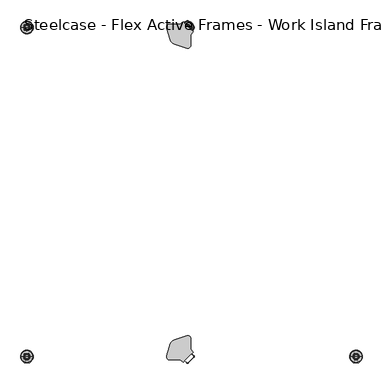
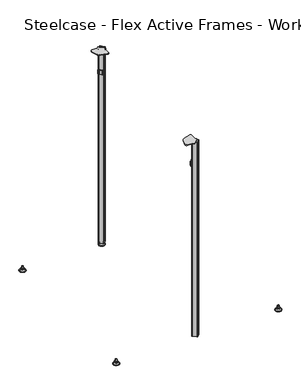
"""IFC4 building model written with IfcOpenShell, lengths in millimetres: furniture geometry, Steelcase - Flex Active Frames - Work Island Frame : 1 Wide - 2 Deep 2."""

from ifc_helpers import new_model, si_unit, point, frame, frame_2d, origin, place, context, project, spatial, polyline, circle_curve, ellipse_curve, trimmed, segment, composite_curve, outline, extrude, source, transform, mapped, element, save
from ifc_brep_helpers import plane_surface, cylinder_surface, revolved_surface, advanced_brep


def steelcase_flex_active_frames_work_island_frame_1_wide_2_deep_242b1a13(model_context):
    return source(origin(), model_context, "Body", "SolidModel", [
        advanced_brep(
        [(795.4995166, -795.4046323, 0.0), (809.4482375, -795.4046323, 0.0), (781.5507958, -795.4046323, 0.0), (810.3951451, -795.4046323, 2.116325), (780.6038882, -795.4046323, 2.116325), (804.2429012, -795.4046323, 8.9997406), (786.7561321, -795.4046323, 8.9997406), (802.9003852, -795.4046323, 8.9997406), (788.0986481, -795.4046323, 8.9997406), (802.9003852, -795.4046323, 12.0919909), (788.0986481, -795.4046323, 12.0919909), (802.3923852, -795.4046323, 12.5999909), (788.6066481, -795.4046323, 12.5999909), (799.518847, -795.4046323, 12.5999909), (791.4801863, -795.4046323, 12.5999909), (799.518847, -795.4046323, 22.7146261), (791.4801863, -795.4046323, 22.7146261), (795.4995166, -795.4046323, 22.7146261)],
        [
            (0, 1),
            (1, 2, circle_curve(frame((795.4995166, -795.4046323, 0.0), z_axis=(0.0, 0.0, -1.0), x_axis=(1.0, 0.0, 0.0)), 13.9487209)),
            (2, 0),
            (2, 1, circle_curve(frame((795.4995166, -795.4046323, 0.0), z_axis=(0.0, 0.0, -1.0), x_axis=(1.0, 0.0, 0.0)), 13.9487209)),
            (1, 3, circle_curve(frame((809.4482375, -795.4046323, 1.27), z_axis=(0.0, -1.0, 0.0), x_axis=(1.0, 0.0, 0.0)), 1.27)),
            (3, 4, circle_curve(frame((795.4995166, -795.4046323, 2.116325), z_axis=(0.0, 0.0, -1.0), x_axis=(1.0, 0.0, 0.0)), 14.8956285)),
            (4, 2, circle_curve(frame((781.5507958, -795.4046323, 1.27), z_axis=(0.0, -1.0, 0.0), x_axis=(-1.0, 0.0, 0.0)), 1.27)),
            (4, 3, circle_curve(frame((795.4995166, -795.4046323, 2.116325), z_axis=(0.0, 0.0, -1.0), x_axis=(1.0, 0.0, 0.0)), 14.8956285)),
            (3, 5),
            (5, 6, circle_curve(frame((795.4995166, -795.4046323, 8.9997406), z_axis=(0.0, 0.0, -1.0), x_axis=(1.0, 0.0, 0.0)), 8.7433846)),
            (6, 4),
            (6, 5, circle_curve(frame((795.4995166, -795.4046323, 8.9997406), z_axis=(0.0, 0.0, -1.0), x_axis=(1.0, 0.0, 0.0)), 8.7433846)),
            (5, 7),
            (7, 8, circle_curve(frame((795.4995166, -795.4046323, 8.9997406), z_axis=(0.0, 0.0, -1.0), x_axis=(1.0, 0.0, 0.0)), 7.4008685)),
            (8, 6),
            (8, 7, circle_curve(frame((795.4995166, -795.4046323, 8.9997406), z_axis=(0.0, 0.0, -1.0), x_axis=(1.0, 0.0, 0.0)), 7.4008685)),
            (7, 9),
            (9, 10, circle_curve(frame((795.4995166, -795.4046323, 12.0919909), z_axis=(0.0, 0.0, -1.0), x_axis=(1.0, 0.0, 0.0)), 7.4008685)),
            (10, 8),
            (10, 9, circle_curve(frame((795.4995166, -795.4046323, 12.0919909), z_axis=(0.0, 0.0, -1.0), x_axis=(1.0, 0.0, 0.0)), 7.4008685)),
            (9, 11, circle_curve(frame((802.3923852, -795.4046323, 12.0919909), z_axis=(0.0, -1.0, 0.0), x_axis=(1.0, 0.0, 0.0)), 0.508)),
            (11, 12, circle_curve(frame((795.4995166, -795.4046323, 12.5999909), z_axis=(0.0, 0.0, -1.0), x_axis=(1.0, 0.0, 0.0)), 6.8928685)),
            (12, 10, circle_curve(frame((788.6066481, -795.4046323, 12.0919909), z_axis=(0.0, -1.0, 0.0), x_axis=(-1.0, 0.0, 0.0)), 0.508)),
            (12, 11, circle_curve(frame((795.4995166, -795.4046323, 12.5999909), z_axis=(0.0, 0.0, -1.0), x_axis=(1.0, 0.0, 0.0)), 6.8928685)),
            (11, 13),
            (13, 14, circle_curve(frame((795.4995166, -795.4046323, 12.5999909), z_axis=(0.0, 0.0, -1.0), x_axis=(1.0, 0.0, 0.0)), 4.0193303)),
            (14, 12),
            (14, 13, circle_curve(frame((795.4995166, -795.4046323, 12.5999909), z_axis=(0.0, 0.0, -1.0), x_axis=(1.0, 0.0, 0.0)), 4.0193303)),
            (13, 15),
            (15, 16, circle_curve(frame((795.4995166, -795.4046323, 22.7146261), z_axis=(0.0, 0.0, -1.0), x_axis=(1.0, 0.0, 0.0)), 4.0193303)),
            (16, 14),
            (16, 15, circle_curve(frame((795.4995166, -795.4046323, 22.7146261), z_axis=(0.0, 0.0, -1.0), x_axis=(1.0, 0.0, 0.0)), 4.0193303)),
            (15, 17),
            (17, 16),
        ],
        [
            plane_surface(frame((795.4995166, -795.4046323, 0.0), z_axis=(0.0, 0.0, -1.0), x_axis=(1.0, 0.0, 0.0))),
            revolved_surface(trimmed(ellipse_curve(frame((809.4482375, -795.4046323, 1.27), z_axis=(0.0, 1.0, 0.0), x_axis=(1.0, 0.0, 0.0)), 1.27, 1.27), [point((810.3951451, -795.4046323, 2.116325))], [point((809.4482375, -795.4046323, 0.0))], True, "CARTESIAN"), (795.4995166, -795.4046323, 32.0514718), (0.0, 0.0, -1.0)),
            revolved_surface(polyline([(804.2429012, -795.4046323, 8.9997406), (810.3951451, -795.4046323, 2.116325)]), (795.4995166, -795.4046323, 32.0514718), (0.0, 0.0, -1.0)),
            plane_surface(frame((795.4995166, -795.4046323, 8.9997406), z_axis=(0.0, 0.0, 1.0), x_axis=(1.0, 0.0, 0.0))),
            cylinder_surface(frame((795.4995166, -795.4046323, 32.0514718), z_axis=(0.0, 0.0, -1.0), x_axis=(1.0, 0.0, 0.0)), 7.4008685),
            revolved_surface(trimmed(ellipse_curve(frame((802.3923852, -795.4046323, 12.0919909), z_axis=(0.0, 1.0, 0.0), x_axis=(1.0, 0.0, 0.0)), 0.508, 0.508), [point((802.3923852, -795.4046323, 12.5999909))], [point((802.9003852, -795.4046323, 12.0919909))], True, "CARTESIAN"), (795.4995166, -795.4046323, 32.0514718), (0.0, 0.0, -1.0)),
            plane_surface(frame((795.4995166, -795.4046323, 12.5999909), z_axis=(0.0, 0.0, 1.0), x_axis=(1.0, 0.0, 0.0))),
            cylinder_surface(frame((795.4995166, -795.4046323, 32.0514718), z_axis=(0.0, 0.0, -1.0), x_axis=(1.0, 0.0, 0.0)), 4.0193303),
            plane_surface(frame((795.4995166, -795.4046323, 22.7146261), z_axis=(0.0, 0.0, 1.0), x_axis=(1.0, 0.0, 0.0))),
        ],
        [
            (0, [[1, 2, 3]]),
            (0, [[-3, 4, -1]]),
            (1, [[-2, 5, 6, 7]]),
            (1, [[-4, -7, 8, -5]]),
            (2, [[-6, 9, 10, 11]]),
            (2, [[-8, -11, 12, -9]]),
            (3, [[-10, 13, 14, 15]]),
            (3, [[-12, -15, 16, -13]]),
            (4, [[-14, 17, 18, 19]]),
            (4, [[-16, -19, 20, -17]]),
            (5, [[-18, 21, 22, 23]]),
            (5, [[-20, -23, 24, -21]]),
            (6, [[-22, 25, 26, 27]]),
            (6, [[-24, -27, 28, -25]]),
            (7, [[-26, 29, 30, 31]]),
            (7, [[-28, -31, 32, -29]]),
            (8, [[-30, 33, 34]]),
            (8, [[-32, -34, -33]]),
        ],
    ),
        advanced_brep(
        [(386.5595166, 2.9246323, 0.0), (372.6107958, 2.9246323, 0.0), (400.5082375, 2.9246323, 0.0), (371.6638882, 2.9246323, 2.116325), (401.4551451, 2.9246323, 2.116325), (377.8161321, 2.9246323, 8.9997406), (395.3029012, 2.9246323, 8.9997406), (379.1586481, 2.9246323, 8.9997406), (393.9603852, 2.9246323, 8.9997406), (379.1586481, 2.9246323, 12.0919909), (393.9603852, 2.9246323, 12.0919909), (379.6666481, 2.9246323, 12.5999909), (393.4523852, 2.9246323, 12.5999909), (382.5401863, 2.9246323, 12.5999909), (390.578847, 2.9246323, 12.5999909), (382.5401863, 2.9246323, 22.7146261), (390.578847, 2.9246323, 22.7146261), (386.5595166, 2.9246323, 22.7146261)],
        [
            (0, 1),
            (1, 2, circle_curve(frame((386.5595166, 2.9246323, 0.0), z_axis=(0.0, 0.0, -1.0), x_axis=(1.0, 0.0, 0.0)), 13.9487209)),
            (2, 0),
            (2, 1, circle_curve(frame((386.5595166, 2.9246323, 0.0), z_axis=(0.0, 0.0, -1.0), x_axis=(1.0, 0.0, 0.0)), 13.9487209)),
            (1, 3, circle_curve(frame((372.6107958, 2.9246323, 1.27), z_axis=(0.0, 1.0, 0.0), x_axis=(-1.0, 0.0, 0.0)), 1.27)),
            (3, 4, circle_curve(frame((386.5595166, 2.9246323, 2.116325), z_axis=(0.0, 0.0, -1.0), x_axis=(1.0, 0.0, 0.0)), 14.8956285)),
            (4, 2, circle_curve(frame((400.5082375, 2.9246323, 1.27), z_axis=(0.0, 1.0, 0.0), x_axis=(1.0, 0.0, 0.0)), 1.27)),
            (4, 3, circle_curve(frame((386.5595166, 2.9246323, 2.116325), z_axis=(0.0, 0.0, -1.0), x_axis=(1.0, 0.0, 0.0)), 14.8956285)),
            (3, 5),
            (5, 6, circle_curve(frame((386.5595166, 2.9246323, 8.9997406), z_axis=(0.0, 0.0, -1.0), x_axis=(1.0, 0.0, 0.0)), 8.7433846)),
            (6, 4),
            (6, 5, circle_curve(frame((386.5595166, 2.9246323, 8.9997406), z_axis=(0.0, 0.0, -1.0), x_axis=(1.0, 0.0, 0.0)), 8.7433846)),
            (5, 7),
            (7, 8, circle_curve(frame((386.5595166, 2.9246323, 8.9997406), z_axis=(0.0, 0.0, -1.0), x_axis=(1.0, 0.0, 0.0)), 7.4008685)),
            (8, 6),
            (8, 7, circle_curve(frame((386.5595166, 2.9246323, 8.9997406), z_axis=(0.0, 0.0, -1.0), x_axis=(1.0, 0.0, 0.0)), 7.4008685)),
            (7, 9),
            (9, 10, circle_curve(frame((386.5595166, 2.9246323, 12.0919909), z_axis=(0.0, 0.0, -1.0), x_axis=(1.0, 0.0, 0.0)), 7.4008685)),
            (10, 8),
            (10, 9, circle_curve(frame((386.5595166, 2.9246323, 12.0919909), z_axis=(0.0, 0.0, -1.0), x_axis=(1.0, 0.0, 0.0)), 7.4008685)),
            (9, 11, circle_curve(frame((379.6666481, 2.9246323, 12.0919909), z_axis=(0.0, 1.0, 0.0), x_axis=(-1.0, 0.0, 0.0)), 0.508)),
            (11, 12, circle_curve(frame((386.5595166, 2.9246323, 12.5999909), z_axis=(0.0, 0.0, -1.0), x_axis=(1.0, 0.0, 0.0)), 6.8928685)),
            (12, 10, circle_curve(frame((393.4523852, 2.9246323, 12.0919909), z_axis=(0.0, 1.0, 0.0), x_axis=(1.0, 0.0, 0.0)), 0.508)),
            (12, 11, circle_curve(frame((386.5595166, 2.9246323, 12.5999909), z_axis=(0.0, 0.0, -1.0), x_axis=(1.0, 0.0, 0.0)), 6.8928685)),
            (11, 13),
            (13, 14, circle_curve(frame((386.5595166, 2.9246323, 12.5999909), z_axis=(0.0, 0.0, -1.0), x_axis=(1.0, 0.0, 0.0)), 4.0193303)),
            (14, 12),
            (14, 13, circle_curve(frame((386.5595166, 2.9246323, 12.5999909), z_axis=(0.0, 0.0, -1.0), x_axis=(1.0, 0.0, 0.0)), 4.0193303)),
            (13, 15),
            (15, 16, circle_curve(frame((386.5595166, 2.9246323, 22.7146261), z_axis=(0.0, 0.0, -1.0), x_axis=(1.0, 0.0, 0.0)), 4.0193303)),
            (16, 14),
            (16, 15, circle_curve(frame((386.5595166, 2.9246323, 22.7146261), z_axis=(0.0, 0.0, -1.0), x_axis=(1.0, 0.0, 0.0)), 4.0193303)),
            (15, 17),
            (17, 16),
        ],
        [
            plane_surface(frame((386.5595166, 2.9246323, 0.0), z_axis=(0.0, 0.0, -1.0), x_axis=(1.0, 0.0, 0.0))),
            revolved_surface(trimmed(ellipse_curve(frame((400.5082375, 2.9246323, 1.27), z_axis=(0.0, 1.0, 0.0), x_axis=(1.0, 0.0, 0.0)), 1.27, 1.27), [point((401.4551451, 2.9246323, 2.116325))], [point((400.5082375, 2.9246323, 0.0))], True, "CARTESIAN"), (386.5595166, 2.9246323, 32.0514718), (0.0, 0.0, -1.0)),
            revolved_surface(polyline([(395.3029012, 2.9246323, 8.9997406), (401.4551451, 2.9246323, 2.116325)]), (386.5595166, 2.9246323, 32.0514718), (0.0, 0.0, -1.0)),
            plane_surface(frame((386.5595166, 2.9246323, 8.9997406), z_axis=(0.0, 0.0, 1.0), x_axis=(1.0, 0.0, 0.0))),
            cylinder_surface(frame((386.5595166, 2.9246323, 32.0514718), z_axis=(0.0, 0.0, -1.0), x_axis=(1.0, 0.0, 0.0)), 7.4008685),
            revolved_surface(trimmed(ellipse_curve(frame((393.4523852, 2.9246323, 12.0919909), z_axis=(0.0, 1.0, 0.0), x_axis=(1.0, 0.0, 0.0)), 0.508, 0.508), [point((393.4523852, 2.9246323, 12.5999909))], [point((393.9603852, 2.9246323, 12.0919909))], True, "CARTESIAN"), (386.5595166, 2.9246323, 32.0514718), (0.0, 0.0, -1.0)),
            plane_surface(frame((386.5595166, 2.9246323, 12.5999909), z_axis=(0.0, 0.0, 1.0), x_axis=(1.0, 0.0, 0.0))),
            cylinder_surface(frame((386.5595166, 2.9246323, 32.0514718), z_axis=(0.0, 0.0, -1.0), x_axis=(1.0, 0.0, 0.0)), 4.0193303),
            plane_surface(frame((386.5595166, 2.9246323, 22.7146261), z_axis=(0.0, 0.0, 1.0), x_axis=(1.0, 0.0, 0.0))),
        ],
        [
            (0, [[1, 2, 3]]),
            (0, [[-3, 4, -1]]),
            (1, [[5, 6, 7, -2]]),
            (1, [[-7, 8, -5, -4]]),
            (2, [[9, 10, 11, -6]]),
            (2, [[-11, 12, -9, -8]]),
            (3, [[13, 14, 15, -10]]),
            (3, [[-15, 16, -13, -12]]),
            (4, [[17, 18, 19, -14]]),
            (4, [[-19, 20, -17, -16]]),
            (5, [[21, 22, 23, -18]]),
            (5, [[-23, 24, -21, -20]]),
            (6, [[25, 26, 27, -22]]),
            (6, [[-27, 28, -25, -24]]),
            (7, [[29, 30, 31, -26]]),
            (7, [[-31, 32, -29, -28]]),
            (8, [[33, 34, -30]]),
            (8, [[-34, -33, -32]]),
        ],
    ),
        advanced_brep(
        [(-3.0195166, -795.4046323, 0.0), (10.9292042, -795.4046323, 0.0), (-16.9682375, -795.4046323, 0.0), (11.8761118, -795.4046323, 2.116325), (-17.9151451, -795.4046323, 2.116325), (5.7238679, -795.4046323, 8.9997406), (-11.7629012, -795.4046323, 8.9997406), (4.3813519, -795.4046323, 8.9997406), (-10.4203852, -795.4046323, 8.9997406), (4.3813519, -795.4046323, 12.0919909), (-10.4203852, -795.4046323, 12.0919909), (3.8733519, -795.4046323, 12.5999909), (-9.9123852, -795.4046323, 12.5999909), (0.9998137, -795.4046323, 12.5999909), (-7.038847, -795.4046323, 12.5999909), (0.9998137, -795.4046323, 22.7146261), (-7.038847, -795.4046323, 22.7146261), (-3.0195166, -795.4046323, 22.7146261)],
        [
            (0, 1),
            (1, 2, circle_curve(frame((-3.0195166, -795.4046323, 0.0), z_axis=(0.0, 0.0, -1.0), x_axis=(-1.0, 0.0, 0.0)), 13.9487209)),
            (2, 0),
            (2, 1, circle_curve(frame((-3.0195166, -795.4046323, 0.0), z_axis=(0.0, 0.0, -1.0), x_axis=(-1.0, 0.0, 0.0)), 13.9487209)),
            (1, 3, circle_curve(frame((10.9292042, -795.4046323, 1.27), z_axis=(0.0, -1.0, 0.0), x_axis=(1.0, 0.0, 0.0)), 1.27)),
            (3, 4, circle_curve(frame((-3.0195166, -795.4046323, 2.116325), z_axis=(0.0, 0.0, -1.0), x_axis=(-1.0, 0.0, 0.0)), 14.8956285)),
            (4, 2, circle_curve(frame((-16.9682375, -795.4046323, 1.27), z_axis=(0.0, -1.0, 0.0), x_axis=(-1.0, 0.0, 0.0)), 1.27)),
            (4, 3, circle_curve(frame((-3.0195166, -795.4046323, 2.116325), z_axis=(0.0, 0.0, -1.0), x_axis=(-1.0, 0.0, 0.0)), 14.8956285)),
            (3, 5),
            (5, 6, circle_curve(frame((-3.0195166, -795.4046323, 8.9997406), z_axis=(0.0, 0.0, -1.0), x_axis=(-1.0, 0.0, 0.0)), 8.7433846)),
            (6, 4),
            (6, 5, circle_curve(frame((-3.0195166, -795.4046323, 8.9997406), z_axis=(0.0, 0.0, -1.0), x_axis=(-1.0, 0.0, 0.0)), 8.7433846)),
            (5, 7),
            (7, 8, circle_curve(frame((-3.0195166, -795.4046323, 8.9997406), z_axis=(0.0, 0.0, -1.0), x_axis=(-1.0, 0.0, 0.0)), 7.4008685)),
            (8, 6),
            (8, 7, circle_curve(frame((-3.0195166, -795.4046323, 8.9997406), z_axis=(0.0, 0.0, -1.0), x_axis=(-1.0, 0.0, 0.0)), 7.4008685)),
            (7, 9),
            (9, 10, circle_curve(frame((-3.0195166, -795.4046323, 12.0919909), z_axis=(0.0, 0.0, -1.0), x_axis=(-1.0, 0.0, 0.0)), 7.4008685)),
            (10, 8),
            (10, 9, circle_curve(frame((-3.0195166, -795.4046323, 12.0919909), z_axis=(0.0, 0.0, -1.0), x_axis=(-1.0, 0.0, 0.0)), 7.4008685)),
            (9, 11, circle_curve(frame((3.8733519, -795.4046323, 12.0919909), z_axis=(0.0, -1.0, 0.0), x_axis=(1.0, 0.0, 0.0)), 0.508)),
            (11, 12, circle_curve(frame((-3.0195166, -795.4046323, 12.5999909), z_axis=(0.0, 0.0, -1.0), x_axis=(-1.0, 0.0, 0.0)), 6.8928685)),
            (12, 10, circle_curve(frame((-9.9123852, -795.4046323, 12.0919909), z_axis=(0.0, -1.0, 0.0), x_axis=(-1.0, 0.0, 0.0)), 0.508)),
            (12, 11, circle_curve(frame((-3.0195166, -795.4046323, 12.5999909), z_axis=(0.0, 0.0, -1.0), x_axis=(-1.0, 0.0, 0.0)), 6.8928685)),
            (11, 13),
            (13, 14, circle_curve(frame((-3.0195166, -795.4046323, 12.5999909), z_axis=(0.0, 0.0, -1.0), x_axis=(-1.0, 0.0, 0.0)), 4.0193303)),
            (14, 12),
            (14, 13, circle_curve(frame((-3.0195166, -795.4046323, 12.5999909), z_axis=(0.0, 0.0, -1.0), x_axis=(-1.0, 0.0, 0.0)), 4.0193303)),
            (13, 15),
            (15, 16, circle_curve(frame((-3.0195166, -795.4046323, 22.7146261), z_axis=(0.0, 0.0, -1.0), x_axis=(-1.0, 0.0, 0.0)), 4.0193303)),
            (16, 14),
            (16, 15, circle_curve(frame((-3.0195166, -795.4046323, 22.7146261), z_axis=(0.0, 0.0, -1.0), x_axis=(-1.0, 0.0, 0.0)), 4.0193303)),
            (15, 17),
            (17, 16),
        ],
        [
            plane_surface(frame((-3.0195166, -795.4046323, 0.0), z_axis=(0.0, 0.0, -1.0), x_axis=(-1.0, 0.0, 0.0))),
            revolved_surface(trimmed(ellipse_curve(frame((-16.9682375, -795.4046323, 1.27), z_axis=(0.0, -1.0, 0.0), x_axis=(-1.0, 0.0, 0.0)), 1.27, 1.27), [point((-17.9151451, -795.4046323, 2.116325))], [point((-16.9682375, -795.4046323, 0.0))], True, "CARTESIAN"), (-3.0195166, -795.4046323, 32.0514718), (0.0, 0.0, -1.0)),
            revolved_surface(polyline([(-11.7629012, -795.4046323, 8.9997406), (-17.9151451, -795.4046323, 2.116325)]), (-3.0195166, -795.4046323, 32.0514718), (0.0, 0.0, -1.0)),
            plane_surface(frame((-3.0195166, -795.4046323, 8.9997406), z_axis=(0.0, 0.0, 1.0), x_axis=(-1.0, 0.0, 0.0))),
            cylinder_surface(frame((-3.0195166, -795.4046323, 32.0514718), z_axis=(0.0, 0.0, -1.0), x_axis=(-1.0, 0.0, 0.0)), 7.4008685),
            revolved_surface(trimmed(ellipse_curve(frame((-9.9123852, -795.4046323, 12.0919909), z_axis=(0.0, -1.0, 0.0), x_axis=(-1.0, 0.0, 0.0)), 0.508, 0.508), [point((-9.9123852, -795.4046323, 12.5999909))], [point((-10.4203852, -795.4046323, 12.0919909))], True, "CARTESIAN"), (-3.0195166, -795.4046323, 32.0514718), (0.0, 0.0, -1.0)),
            plane_surface(frame((-3.0195166, -795.4046323, 12.5999909), z_axis=(0.0, 0.0, 1.0), x_axis=(-1.0, 0.0, 0.0))),
            cylinder_surface(frame((-3.0195166, -795.4046323, 32.0514718), z_axis=(0.0, 0.0, -1.0), x_axis=(-1.0, 0.0, 0.0)), 4.0193303),
            plane_surface(frame((-3.0195166, -795.4046323, 22.7146261), z_axis=(0.0, 0.0, 1.0), x_axis=(-1.0, 0.0, 0.0))),
        ],
        [
            (0, [[1, 2, 3]]),
            (0, [[-3, 4, -1]]),
            (1, [[5, 6, 7, -2]]),
            (1, [[-7, 8, -5, -4]]),
            (2, [[9, 10, 11, -6]]),
            (2, [[-11, 12, -9, -8]]),
            (3, [[13, 14, 15, -10]]),
            (3, [[-15, 16, -13, -12]]),
            (4, [[17, 18, 19, -14]]),
            (4, [[-19, 20, -17, -16]]),
            (5, [[21, 22, 23, -18]]),
            (5, [[-23, 24, -21, -20]]),
            (6, [[25, 26, 27, -22]]),
            (6, [[-27, 28, -25, -24]]),
            (7, [[29, 30, 31, -26]]),
            (7, [[-31, 32, -29, -28]]),
            (8, [[33, 34, -30]]),
            (8, [[-34, -33, -32]]),
        ],
    ),
        advanced_brep(
        [(-3.0195166, 2.9246323, 0.0), (-16.9682375, 2.9246323, 0.0), (10.9292042, 2.9246323, 0.0), (-17.9151451, 2.9246323, 2.116325), (11.8761118, 2.9246323, 2.116325), (-11.7629012, 2.9246323, 8.9997406), (5.7238679, 2.9246323, 8.9997406), (-10.4203852, 2.9246323, 8.9997406), (4.3813519, 2.9246323, 8.9997406), (-10.4203852, 2.9246323, 12.0919909), (4.3813519, 2.9246323, 12.0919909), (-9.9123852, 2.9246323, 12.5999909), (3.8733519, 2.9246323, 12.5999909), (-7.038847, 2.9246323, 12.5999909), (0.9998137, 2.9246323, 12.5999909), (-7.038847, 2.9246323, 22.7146261), (0.9998137, 2.9246323, 22.7146261), (-3.0195166, 2.9246323, 22.7146261)],
        [
            (0, 1),
            (1, 2, circle_curve(frame((-3.0195166, 2.9246323, 0.0), z_axis=(0.0, 0.0, -1.0), x_axis=(-1.0, 0.0, 0.0)), 13.9487209)),
            (2, 0),
            (2, 1, circle_curve(frame((-3.0195166, 2.9246323, 0.0), z_axis=(0.0, 0.0, -1.0), x_axis=(-1.0, 0.0, 0.0)), 13.9487209)),
            (1, 3, circle_curve(frame((-16.9682375, 2.9246323, 1.27), z_axis=(0.0, 1.0, 0.0), x_axis=(-1.0, 0.0, 0.0)), 1.27)),
            (3, 4, circle_curve(frame((-3.0195166, 2.9246323, 2.116325), z_axis=(0.0, 0.0, -1.0), x_axis=(-1.0, 0.0, 0.0)), 14.8956285)),
            (4, 2, circle_curve(frame((10.9292042, 2.9246323, 1.27), z_axis=(0.0, 1.0, 0.0), x_axis=(1.0, 0.0, 0.0)), 1.27)),
            (4, 3, circle_curve(frame((-3.0195166, 2.9246323, 2.116325), z_axis=(0.0, 0.0, -1.0), x_axis=(-1.0, 0.0, 0.0)), 14.8956285)),
            (3, 5),
            (5, 6, circle_curve(frame((-3.0195166, 2.9246323, 8.9997406), z_axis=(0.0, 0.0, -1.0), x_axis=(-1.0, 0.0, 0.0)), 8.7433846)),
            (6, 4),
            (6, 5, circle_curve(frame((-3.0195166, 2.9246323, 8.9997406), z_axis=(0.0, 0.0, -1.0), x_axis=(-1.0, 0.0, 0.0)), 8.7433846)),
            (5, 7),
            (7, 8, circle_curve(frame((-3.0195166, 2.9246323, 8.9997406), z_axis=(0.0, 0.0, -1.0), x_axis=(-1.0, 0.0, 0.0)), 7.4008685)),
            (8, 6),
            (8, 7, circle_curve(frame((-3.0195166, 2.9246323, 8.9997406), z_axis=(0.0, 0.0, -1.0), x_axis=(-1.0, 0.0, 0.0)), 7.4008685)),
            (7, 9),
            (9, 10, circle_curve(frame((-3.0195166, 2.9246323, 12.0919909), z_axis=(0.0, 0.0, -1.0), x_axis=(-1.0, 0.0, 0.0)), 7.4008685)),
            (10, 8),
            (10, 9, circle_curve(frame((-3.0195166, 2.9246323, 12.0919909), z_axis=(0.0, 0.0, -1.0), x_axis=(-1.0, 0.0, 0.0)), 7.4008685)),
            (9, 11, circle_curve(frame((-9.9123852, 2.9246323, 12.0919909), z_axis=(0.0, 1.0, 0.0), x_axis=(-1.0, 0.0, 0.0)), 0.508)),
            (11, 12, circle_curve(frame((-3.0195166, 2.9246323, 12.5999909), z_axis=(0.0, 0.0, -1.0), x_axis=(-1.0, 0.0, 0.0)), 6.8928685)),
            (12, 10, circle_curve(frame((3.8733519, 2.9246323, 12.0919909), z_axis=(0.0, 1.0, 0.0), x_axis=(1.0, 0.0, 0.0)), 0.508)),
            (12, 11, circle_curve(frame((-3.0195166, 2.9246323, 12.5999909), z_axis=(0.0, 0.0, -1.0), x_axis=(-1.0, 0.0, 0.0)), 6.8928685)),
            (11, 13),
            (13, 14, circle_curve(frame((-3.0195166, 2.9246323, 12.5999909), z_axis=(0.0, 0.0, -1.0), x_axis=(-1.0, 0.0, 0.0)), 4.0193303)),
            (14, 12),
            (14, 13, circle_curve(frame((-3.0195166, 2.9246323, 12.5999909), z_axis=(0.0, 0.0, -1.0), x_axis=(-1.0, 0.0, 0.0)), 4.0193303)),
            (13, 15),
            (15, 16, circle_curve(frame((-3.0195166, 2.9246323, 22.7146261), z_axis=(0.0, 0.0, -1.0), x_axis=(-1.0, 0.0, 0.0)), 4.0193303)),
            (16, 14),
            (16, 15, circle_curve(frame((-3.0195166, 2.9246323, 22.7146261), z_axis=(0.0, 0.0, -1.0), x_axis=(-1.0, 0.0, 0.0)), 4.0193303)),
            (15, 17),
            (17, 16),
        ],
        [
            plane_surface(frame((-3.0195166, 2.9246323, 0.0), z_axis=(0.0, 0.0, -1.0), x_axis=(-1.0, 0.0, 0.0))),
            revolved_surface(trimmed(ellipse_curve(frame((-16.9682375, 2.9246323, 1.27), z_axis=(0.0, -1.0, 0.0), x_axis=(-1.0, 0.0, 0.0)), 1.27, 1.27), [point((-17.9151451, 2.9246323, 2.116325))], [point((-16.9682375, 2.9246323, 0.0))], True, "CARTESIAN"), (-3.0195166, 2.9246323, 32.0514718), (0.0, 0.0, -1.0)),
            revolved_surface(polyline([(-11.7629012, 2.9246323, 8.9997406), (-17.9151451, 2.9246323, 2.116325)]), (-3.0195166, 2.9246323, 32.0514718), (0.0, 0.0, -1.0)),
            plane_surface(frame((-3.0195166, 2.9246323, 8.9997406), z_axis=(0.0, 0.0, 1.0), x_axis=(-1.0, 0.0, 0.0))),
            cylinder_surface(frame((-3.0195166, 2.9246323, 32.0514718), z_axis=(0.0, 0.0, -1.0), x_axis=(-1.0, 0.0, 0.0)), 7.4008685),
            revolved_surface(trimmed(ellipse_curve(frame((-9.9123852, 2.9246323, 12.0919909), z_axis=(0.0, -1.0, 0.0), x_axis=(-1.0, 0.0, 0.0)), 0.508, 0.508), [point((-9.9123852, 2.9246323, 12.5999909))], [point((-10.4203852, 2.9246323, 12.0919909))], True, "CARTESIAN"), (-3.0195166, 2.9246323, 32.0514718), (0.0, 0.0, -1.0)),
            plane_surface(frame((-3.0195166, 2.9246323, 12.5999909), z_axis=(0.0, 0.0, 1.0), x_axis=(-1.0, 0.0, 0.0))),
            cylinder_surface(frame((-3.0195166, 2.9246323, 32.0514718), z_axis=(0.0, 0.0, -1.0), x_axis=(-1.0, 0.0, 0.0)), 4.0193303),
            plane_surface(frame((-3.0195166, 2.9246323, 22.7146261), z_axis=(0.0, 0.0, 1.0), x_axis=(-1.0, 0.0, 0.0))),
        ],
        [
            (0, [[1, 2, 3]]),
            (0, [[-3, 4, -1]]),
            (1, [[-2, 5, 6, 7]]),
            (1, [[-4, -7, 8, -5]]),
            (2, [[-6, 9, 10, 11]]),
            (2, [[-8, -11, 12, -9]]),
            (3, [[-10, 13, 14, 15]]),
            (3, [[-12, -15, 16, -13]]),
            (4, [[-14, 17, 18, 19]]),
            (4, [[-16, -19, 20, -17]]),
            (5, [[-18, 21, 22, 23]]),
            (5, [[-20, -23, 24, -21]]),
            (6, [[-22, 25, 26, 27]]),
            (6, [[-24, -27, 28, -25]]),
            (7, [[-26, 29, 30, 31]]),
            (7, [[-28, -31, 32, -29]]),
            (8, [[-30, 33, 34]]),
            (8, [[-32, -34, -33]]),
        ],
    ),
        advanced_brep(
        [(402.0690767, 5.1536029, 1021.9997307), (388.7065297, 18.5163124, 1021.9997307), (384.3959936, 18.5163256, 1021.9997307), (379.4829148, 13.6032467, 1021.9997307), (375.9730949, 17.1137694, 1021.9997307), (368.5650662, 10.9765587, 1021.9997307), (343.5469013, 10.9762884, 1021.9997307), (336.281606, 1.0587489, 1021.9997307), (345.3077907, -27.4842379, 1021.9997307), (356.0697439, -38.2473507, 1021.9997307), (384.6106201, -47.2762508, 1021.9997307), (394.5289425, -40.0111633, 1021.9997307), (394.5290821, -14.9855194, 1021.9997307), (400.6052617, -7.5233295, 1021.9997307), (397.1542669, -4.0716438, 1021.9997307), (402.0690505, 0.8430799, 1021.9997307), (400.1037788, 5.1536214, 1021.9997307), (400.1037683, 0.843088, 1021.9997307), (396.171731, -3.0889111, 1021.9997307), (380.4653866, 12.6205781, 1021.9997307), (384.3957986, 16.5510473, 1021.9997307), (388.7063372, 16.5510629, 1021.9997307), (402.0690767, 5.1536029, 12.5999909), (402.0690505, 0.8430799, 12.5999909), (388.7062856, -12.5195224, 12.5999909), (384.3957649, -12.5194983, 12.5999909), (371.0332856, 0.8431164, 12.5999909), (371.0332965, 5.1536284, 12.5999909), (384.3959936, 18.5163256, 12.5999909), (388.7065297, 18.5163124, 12.5999909), (400.1037788, 5.1536214, 12.5999909), (388.7063372, 16.5510629, 12.5999909), (384.3957986, 16.5510473, 12.5999909), (372.9984486, 5.1535313, 12.5999909), (372.9984643, 0.843024, 12.5999909), (384.3957675, -10.5542792, 12.5999909), (388.70628, -10.5542897, 12.5999909), (400.1037683, 0.843088, 12.5999909), (371.0332965, 5.1536284, 1019.0034988), (379.4829148, 13.6032467, 1019.0034988), (371.0332856, 0.8431164, 1019.0034988), (384.3957649, -12.5194983, 1019.0034988), (388.7062856, -12.5195224, 1019.0034988), (397.1542669, -4.0716438, 1019.0034988), (388.70628, -10.5542897, 1019.0034988), (396.171731, -3.0889111, 1019.0034988), (384.3957675, -10.5542792, 1019.0034988), (372.9984643, 0.843024, 1019.0034988), (372.9984486, 5.1535313, 1019.0034988), (380.4653866, 12.6205781, 1019.0034988), (400.6052617, -7.5233295, 1019.0034988), (394.5290821, -14.9855194, 1019.0034988), (394.5289425, -40.0111633, 1019.0034988), (384.6106201, -47.2762508, 1019.0034988), (356.0697439, -38.2473507, 1019.0034988), (345.3077907, -27.4842379, 1019.0034988), (336.281606, 1.0587489, 1019.0034988), (343.5469013, 10.9762884, 1019.0034988), (368.5650662, 10.9765587, 1019.0034988), (375.9730949, 17.1137694, 1019.0034988)],
        [
            (0, 1),
            (1, 2, circle_curve(frame((386.5512551, 16.3610641, 1021.9997307), z_axis=(0.0, 0.0, 1.0), x_axis=(1.0, 0.0, 0.0)), 3.048)),
            (2, 3),
            (3, 4),
            (4, 5),
            (5, 6),
            (6, 7, circle_curve(frame((343.5469836, 3.3562884, 1021.9997307), z_axis=(0.0, 0.0, 1.0), x_axis=(1.0, 0.0, 0.0)), 7.62)),
            (7, 8),
            (8, 9, circle_curve(frame((361.0494422, -22.5062356, 1021.9997307), z_axis=(0.0, 0.0, 1.0), x_axis=(1.0, 0.0, 0.0)), 16.51)),
            (9, 10),
            (10, 11, circle_curve(frame((386.9089425, -40.0111207, 1021.9997307), z_axis=(0.0, 0.0, 1.0), x_axis=(1.0, 0.0, 0.0)), 7.62)),
            (11, 12),
            (12, 13),
            (13, 14),
            (14, 15),
            (15, 0, circle_curve(frame((399.9138021, 2.9983545, 1021.9997307), z_axis=(0.0, 0.0, 1.0), x_axis=(1.0, 0.0, 0.0)), 3.048)),
            (16, 17, circle_curve(frame((397.9485173, 2.9983599, 1021.9997307), z_axis=(0.0, 0.0, -1.0), x_axis=(1.0, 0.0, 0.0)), 3.048)),
            (17, 18),
            (18, 19),
            (19, 20),
            (20, 21, circle_curve(frame((386.5510758, 14.3958015, 1021.9997307), z_axis=(0.0, 0.0, -1.0), x_axis=(1.0, 0.0, 0.0)), 3.048)),
            (21, 16),
            (22, 23, circle_curve(frame((399.9138021, 2.9983545, 12.5999909), z_axis=(0.0, 0.0, -1.0), x_axis=(1.0, 0.0, 0.0)), 3.048)),
            (23, 24),
            (24, 25, circle_curve(frame((386.5510373, -10.3642478, 12.5999909), z_axis=(0.0, 0.0, -1.0), x_axis=(1.0, 0.0, 0.0)), 3.048)),
            (25, 26),
            (26, 27, circle_curve(frame((373.188558, 2.998367, 12.5999909), z_axis=(0.0, 0.0, -1.0), x_axis=(1.0, 0.0, 0.0)), 3.048)),
            (27, 28),
            (28, 29, circle_curve(frame((386.5512551, 16.3610641, 12.5999909), z_axis=(0.0, 0.0, -1.0), x_axis=(1.0, 0.0, 0.0)), 3.048)),
            (29, 22),
            (30, 31),
            (31, 32, circle_curve(frame((386.5510758, 14.3958015, 12.5999909), z_axis=(0.0, 0.0, 1.0), x_axis=(1.0, 0.0, 0.0)), 3.048)),
            (32, 33),
            (33, 34, circle_curve(frame((375.1537257, 2.9982855, 12.5999909), z_axis=(0.0, 0.0, 1.0), x_axis=(1.0, 0.0, 0.0)), 3.048)),
            (34, 35),
            (35, 36, circle_curve(frame((386.551029, -8.3990177, 12.5999909), z_axis=(0.0, 0.0, 1.0), x_axis=(1.0, 0.0, 0.0)), 3.048)),
            (36, 37),
            (37, 30, circle_curve(frame((397.9485173, 2.9983599, 12.5999909), z_axis=(0.0, 0.0, 1.0), x_axis=(1.0, 0.0, 0.0)), 3.048)),
            (0, 22),
            (29, 1),
            (28, 2),
            (27, 38),
            (38, 39),
            (39, 3),
            (26, 40),
            (40, 38, circle_curve(frame((373.188558, 2.998367, 1019.0034988), z_axis=(0.0, 0.0, -1.0), x_axis=(1.0, 0.0, 0.0)), 3.048)),
            (25, 41),
            (41, 40),
            (24, 42),
            (42, 41, circle_curve(frame((386.5510373, -10.3642478, 1019.0034988), z_axis=(0.0, 0.0, -1.0), x_axis=(1.0, 0.0, 0.0)), 3.048)),
            (23, 15),
            (14, 43),
            (43, 42),
            (16, 30),
            (37, 17),
            (36, 44),
            (44, 45),
            (45, 18),
            (35, 46),
            (46, 44, circle_curve(frame((386.551029, -8.3990177, 1019.0034988), z_axis=(0.0, 0.0, 1.0), x_axis=(1.0, 0.0, 0.0)), 3.048)),
            (34, 47),
            (47, 46),
            (33, 48),
            (48, 47, circle_curve(frame((375.1537257, 2.9982855, 1019.0034988), z_axis=(0.0, 0.0, 1.0), x_axis=(1.0, 0.0, 0.0)), 3.048)),
            (32, 20),
            (19, 49),
            (49, 48),
            (31, 21),
            (50, 51),
            (51, 52),
            (52, 53, circle_curve(frame((386.9089425, -40.0111207, 1019.0034988), z_axis=(0.0, 0.0, -1.0), x_axis=(1.0, 0.0, 0.0)), 7.62)),
            (53, 54),
            (54, 55, circle_curve(frame((361.0494422, -22.5062356, 1019.0034988), z_axis=(0.0, 0.0, -1.0), x_axis=(1.0, 0.0, 0.0)), 16.51)),
            (55, 56),
            (56, 57, circle_curve(frame((343.5469836, 3.3562884, 1019.0034988), z_axis=(0.0, 0.0, -1.0), x_axis=(1.0, 0.0, 0.0)), 7.62)),
            (57, 58),
            (58, 59),
            (59, 39),
            (43, 50),
            (49, 45),
            (4, 59),
            (58, 5),
            (57, 6),
            (56, 7),
            (55, 8),
            (54, 9),
            (53, 10),
            (52, 11),
            (51, 12),
            (50, 13),
        ],
        [
            plane_surface(frame((388.7065297, 18.5163124, 1021.9997307), z_axis=(0.0, 0.0, 1.0), x_axis=(-0.7071024799588432, 0.7071110823880883, 0.0))),
            plane_surface(frame((388.7065297, 18.5163124, 12.5999909), z_axis=(0.0, 0.0, -1.0), x_axis=(0.7071024799588432, -0.7071110823880883, 0.0))),
            plane_surface(frame((402.0690767, 5.1536029, 1021.9997307), z_axis=(0.7071110823880883, 0.7071024799588432, 0.0), x_axis=(0.0, 0.0, -1.0))),
            cylinder_surface(frame((386.5512551, 16.3610641, 12.5999909), z_axis=(0.0, 0.0, 1.0), x_axis=(1.0, 0.0, 0.0)), 3.048),
            plane_surface(frame((384.3959936, 18.5163256, 1021.9997307), z_axis=(-0.7071067811865401, 0.7071067811865549, 0.0), x_axis=(0.0, 0.0, -1.0))),
            cylinder_surface(frame((373.188558, 2.998367, 12.5999909), z_axis=(0.0, 0.0, 1.0), x_axis=(1.0, 0.0, 0.0)), 3.048),
            plane_surface(frame((371.0332856, 0.8431164, 1021.9997307), z_axis=(-0.7071103654975411, -0.707103196857385, 0.0), x_axis=(0.0, 0.0, -1.0))),
            cylinder_surface(frame((386.5510373, -10.3642478, 12.5999909), z_axis=(0.0, 0.0, 1.0), x_axis=(1.0, 0.0, 0.0)), 3.048),
            plane_surface(frame((388.7062856, -12.5195224, 1021.9997307), z_axis=(0.7071024799413701, -0.7071110824055613, 0.0), x_axis=(0.0, 0.0, -1.0))),
            cylinder_surface(frame((399.9138021, 2.9983545, 12.5999909), z_axis=(0.0, 0.0, 1.0), x_axis=(1.0, 0.0, 0.0)), 3.048),
            revolved_surface(polyline([(400.9965173, 2.9983599, 12.5999909), (400.9965173, 2.9983599, 1021.9997307)]), (397.9485173, 2.9983599, 0.0), (0.0, 0.0, -1.0)),
            plane_surface(frame((400.1037683, 0.843088, 1021.9997307), z_axis=(-0.7071033492041388, 0.7071102131522992, 0.0), x_axis=(0.0, 0.0, -1.0))),
            revolved_surface(polyline([(389.59902900000003, -8.3990177, 12.5999909), (389.59902900000003, -8.3990177, 1019.0034988)]), (386.551029, -8.3990177, 0.0), (0.0, 0.0, -1.0)),
            plane_surface(frame((384.3957675, -10.5542792, 1021.9997307), z_axis=(0.7071067811865467, 0.7071067811865483, 0.0), x_axis=(0.0, 0.0, -1.0))),
            revolved_surface(polyline([(378.2017257, 2.9982855, 12.5999909), (378.2017257, 2.9982855, 1019.0034988)]), (375.1537257, 2.9982855, 0.0), (0.0, 0.0, -1.0)),
            plane_surface(frame((372.9984486, 5.1535313, 1021.9997307), z_axis=(0.707111929216385, -0.7071016331192301, 0.0), x_axis=(0.0, 0.0, -1.0))),
            revolved_surface(polyline([(389.5990758, 14.3958015, 12.5999909), (389.5990758, 14.3958015, 1021.9997307)]), (386.5510758, 14.3958015, 0.0), (0.0, 0.0, -1.0)),
            plane_surface(frame((388.7063372, 16.5510629, 1021.9997307), z_axis=(-0.7071067811865451, -0.7071067811865499, 0.0), x_axis=(0.0, 0.0, -1.0))),
            plane_surface(frame((368.5650662, 10.9765587, 1019.0034988), z_axis=(0.0, 0.0, -1.0000000000000002), x_axis=(0.7700660009129411, 0.6379642264562727, 0.0))),
            plane_surface(frame((375.9730949, 17.1137694, 1021.9997307), z_axis=(-0.6379642264562727, 0.7700660009129411, 0.0), x_axis=(0.0, 0.0, -1.0))),
            plane_surface(frame((368.5650662, 10.9765587, 1021.9997307), z_axis=(-1.0801644007307377e-05, 0.9999999999416622, 0.0), x_axis=(0.0, 0.0, -1.0))),
            cylinder_surface(frame((343.5469836, 3.3562884, 1019.0034988), z_axis=(0.0, 0.0, 1.0), x_axis=(1.0, 0.0, 0.0)), 7.62),
            plane_surface(frame((336.281606, 1.0587489, 1021.9997307), z_axis=(-0.9534616310857704, -0.30151437452841673, 0.0), x_axis=(0.0, 0.0, -1.0))),
            cylinder_surface(frame((361.0494422, -22.5062356, 1019.0034988), z_axis=(0.0, 0.0, 1.0), x_axis=(1.0, 0.0, 0.0)), 16.51),
            plane_surface(frame((356.0697439, -38.2473507, 1021.9997307), z_axis=(-0.30161710398598385, -0.9534291387319292, 0.0), x_axis=(0.0, 0.0, -1.0))),
            cylinder_surface(frame((386.9089425, -40.0111207, 1019.0034988), z_axis=(0.0, 0.0, 1.0), x_axis=(1.0, 0.0, 0.0)), 7.62),
            plane_surface(frame((394.5289425, -40.0111633, 1021.9997307), z_axis=(0.9999999999844242, -5.581369365010606e-06, 0.0), x_axis=(0.0, 0.0, -1.0))),
            plane_surface(frame((394.5290821, -14.9855194, 1021.9997307), z_axis=(0.7754447692196412, -0.6314154020056031, 0.0), x_axis=(0.0, 0.0, -1.0))),
            plane_surface(frame((400.6052617, -7.5233295, 1021.9997307), z_axis=(0.7071775627178662, 0.7070359925692739, 0.0), x_axis=(0.0, 0.0, -1.0))),
        ],
        [
            (0, [[1, 2, 3, 4, 5, 6, 7, 8, 9, 10, 11, 12, 13, 14, 15, 16], [17, 18, 19, 20, 21, 22]]),
            (1, [[23, 24, 25, 26, 27, 28, 29, 30], [31, 32, 33, 34, 35, 36, 37, 38]]),
            (2, [[-1, 39, -30, 40]]),
            (3, [[-2, -40, -29, 41]]),
            (4, [[-28, 42, 43, 44, -3, -41]]),
            (5, [[-27, 45, 46, -42]]),
            (6, [[-26, 47, 48, -45]]),
            (7, [[-25, 49, 50, -47]]),
            (8, [[-24, 51, -15, 52, 53, -49]]),
            (9, [[-16, -51, -23, -39]]),
            (10, [[-17, 54, -38, 55]]),
            (11, [[-37, 56, 57, 58, -18, -55]]),
            (12, [[-36, 59, 60, -56]]),
            (13, [[-35, 61, 62, -59]]),
            (14, [[-34, 63, 64, -61]]),
            (15, [[-33, 65, -20, 66, 67, -63]]),
            (16, [[-21, -65, -32, 68]]),
            (17, [[-22, -68, -31, -54]]),
            (18, [[69, 70, 71, 72, 73, 74, 75, 76, 77, 78, -43, -46, -48, -50, -53, 79]]),
            (18, [[80, -57, -60, -62, -64, -67]]),
            (19, [[-5, 81, -77, 82]]),
            (20, [[-6, -82, -76, 83]]),
            (21, [[-7, -83, -75, 84]]),
            (22, [[-8, -84, -74, 85]]),
            (23, [[-9, -85, -73, 86]]),
            (24, [[-10, -86, -72, 87]]),
            (25, [[-11, -87, -71, 88]]),
            (26, [[-12, -88, -70, 89]]),
            (27, [[-13, -89, -69, 90]]),
            (28, [[-19, -58, -80, -66]]),
            (28, [[-81, -4, -44, -78]]),
            (28, [[-90, -79, -52, -14]]),
        ],
    ),
        advanced_brep(
        [(402.0690767, -797.6336029, 1021.9997307), (402.0690505, -793.3230799, 1021.9997307), (397.1542669, -788.4083562, 1021.9997307), (400.6052617, -784.9566705, 1021.9997307), (394.5290821, -777.4944806, 1021.9997307), (394.5289425, -752.4688367, 1021.9997307), (384.6106201, -745.2037492, 1021.9997307), (356.0697439, -754.2326493, 1021.9997307), (345.3077907, -764.9957621, 1021.9997307), (336.281606, -793.5387489, 1021.9997307), (343.5469013, -803.4562884, 1021.9997307), (368.5650662, -803.4565587, 1021.9997307), (375.9730949, -809.5937694, 1021.9997307), (379.4829148, -806.0832467, 1021.9997307), (384.3959936, -810.9963256, 1021.9997307), (388.7065297, -810.9963124, 1021.9997307), (400.1037788, -797.6336214, 1021.9997307), (388.7063372, -809.0310629, 1021.9997307), (384.3957986, -809.0310473, 1021.9997307), (380.4653866, -805.1005781, 1021.9997307), (396.171731, -789.3910889, 1021.9997307), (400.1037683, -793.323088, 1021.9997307), (402.0690767, -797.6336029, 12.5999909), (388.7065297, -810.9963124, 12.5999909), (384.3959936, -810.9963256, 12.5999909), (371.0332965, -797.6336284, 12.5999909), (371.0332856, -793.3231164, 12.5999909), (384.3957649, -779.9605017, 12.5999909), (388.7062856, -779.9604776, 12.5999909), (402.0690505, -793.3230799, 12.5999909), (400.1037788, -797.6336214, 12.5999909), (400.1037683, -793.323088, 12.5999909), (388.70628, -781.9257103, 12.5999909), (384.3957675, -781.9257208, 12.5999909), (372.9984643, -793.323024, 12.5999909), (372.9984486, -797.6335313, 12.5999909), (384.3957986, -809.0310473, 12.5999909), (388.7063372, -809.0310629, 12.5999909), (388.7062856, -779.9604776, 1019.0034988), (397.1542669, -788.4083562, 1019.0034988), (384.3957649, -779.9605017, 1019.0034988), (371.0332856, -793.3231164, 1019.0034988), (371.0332965, -797.6336284, 1019.0034988), (379.4829148, -806.0832467, 1019.0034988), (372.9984486, -797.6335313, 1019.0034988), (380.4653866, -805.1005781, 1019.0034988), (372.9984643, -793.323024, 1019.0034988), (384.3957675, -781.9257208, 1019.0034988), (388.70628, -781.9257103, 1019.0034988), (396.171731, -789.3910889, 1019.0034988), (375.9730949, -809.5937694, 1019.0034988), (368.5650662, -803.4565587, 1019.0034988), (343.5469013, -803.4562884, 1019.0034988), (336.281606, -793.5387489, 1019.0034988), (345.3077907, -764.9957621, 1019.0034988), (356.0697439, -754.2326493, 1019.0034988), (384.6106201, -745.2037492, 1019.0034988), (394.5289425, -752.4688367, 1019.0034988), (394.5290821, -777.4944806, 1019.0034988), (400.6052617, -784.9566705, 1019.0034988)],
        [
            (0, 1, circle_curve(frame((399.9138021, -795.4783545, 1021.9997307), z_axis=(0.0, 0.0, 1.0), x_axis=(1.0, 0.0, 0.0)), 3.048)),
            (1, 2),
            (2, 3),
            (3, 4),
            (4, 5),
            (5, 6, circle_curve(frame((386.9089425, -752.4688793, 1021.9997307), z_axis=(0.0, 0.0, 1.0), x_axis=(1.0, 0.0, 0.0)), 7.62)),
            (6, 7),
            (7, 8, circle_curve(frame((361.0494422, -769.9737644, 1021.9997307), z_axis=(0.0, 0.0, 1.0), x_axis=(1.0, 0.0, 0.0)), 16.51)),
            (8, 9),
            (9, 10, circle_curve(frame((343.5469836, -795.8362884, 1021.9997307), z_axis=(0.0, 0.0, 1.0), x_axis=(1.0, 0.0, 0.0)), 7.62)),
            (10, 11),
            (11, 12),
            (12, 13),
            (13, 14),
            (14, 15, circle_curve(frame((386.5512551, -808.8410641, 1021.9997307), z_axis=(0.0, 0.0, 1.0), x_axis=(1.0, 0.0, 0.0)), 3.048)),
            (15, 0),
            (16, 17),
            (17, 18, circle_curve(frame((386.5510758, -806.8758015, 1021.9997307), z_axis=(0.0, 0.0, -1.0), x_axis=(1.0, 0.0, 0.0)), 3.048)),
            (18, 19),
            (19, 20),
            (20, 21),
            (21, 16, circle_curve(frame((397.9485173, -795.4783599, 1021.9997307), z_axis=(0.0, 0.0, -1.0), x_axis=(1.0, 0.0, 0.0)), 3.048)),
            (22, 23),
            (23, 24, circle_curve(frame((386.5512551, -808.8410641, 12.5999909), z_axis=(0.0, 0.0, -1.0), x_axis=(1.0, 0.0, 0.0)), 3.048)),
            (24, 25),
            (25, 26, circle_curve(frame((373.188558, -795.478367, 12.5999909), z_axis=(0.0, 0.0, -1.0), x_axis=(1.0, 0.0, 0.0)), 3.048)),
            (26, 27),
            (27, 28, circle_curve(frame((386.5510373, -782.1157522, 12.5999909), z_axis=(0.0, 0.0, -1.0), x_axis=(1.0, 0.0, 0.0)), 3.048)),
            (28, 29),
            (29, 22, circle_curve(frame((399.9138021, -795.4783545, 12.5999909), z_axis=(0.0, 0.0, -1.0), x_axis=(1.0, 0.0, 0.0)), 3.048)),
            (30, 31, circle_curve(frame((397.9485173, -795.4783599, 12.5999909), z_axis=(0.0, 0.0, 1.0), x_axis=(1.0, 0.0, 0.0)), 3.048)),
            (31, 32),
            (32, 33, circle_curve(frame((386.551029, -784.0809823, 12.5999909), z_axis=(0.0, 0.0, 1.0), x_axis=(1.0, 0.0, 0.0)), 3.048)),
            (33, 34),
            (34, 35, circle_curve(frame((375.1537257, -795.4782855, 12.5999909), z_axis=(0.0, 0.0, 1.0), x_axis=(1.0, 0.0, 0.0)), 3.048)),
            (35, 36),
            (36, 37, circle_curve(frame((386.5510758, -806.8758015, 12.5999909), z_axis=(0.0, 0.0, 1.0), x_axis=(1.0, 0.0, 0.0)), 3.048)),
            (37, 30),
            (0, 22),
            (29, 1),
            (28, 38),
            (38, 39),
            (39, 2),
            (27, 40),
            (40, 38, circle_curve(frame((386.5510373, -782.1157522, 1019.0034988), z_axis=(0.0, 0.0, -1.0), x_axis=(1.0, 0.0, 0.0)), 3.048)),
            (26, 41),
            (41, 40),
            (25, 42),
            (42, 41, circle_curve(frame((373.188558, -795.478367, 1019.0034988), z_axis=(0.0, 0.0, -1.0), x_axis=(1.0, 0.0, 0.0)), 3.048)),
            (24, 14),
            (13, 43),
            (43, 42),
            (23, 15),
            (16, 30),
            (37, 17),
            (36, 18),
            (35, 44),
            (44, 45),
            (45, 19),
            (34, 46),
            (46, 44, circle_curve(frame((375.1537257, -795.4782855, 1019.0034988), z_axis=(0.0, 0.0, 1.0), x_axis=(1.0, 0.0, 0.0)), 3.048)),
            (33, 47),
            (47, 46),
            (32, 48),
            (48, 47, circle_curve(frame((386.551029, -784.0809823, 1019.0034988), z_axis=(0.0, 0.0, 1.0), x_axis=(1.0, 0.0, 0.0)), 3.048)),
            (31, 21),
            (20, 49),
            (49, 48),
            (50, 51),
            (51, 52),
            (52, 53, circle_curve(frame((343.5469836, -795.8362884, 1019.0034988), z_axis=(0.0, 0.0, -1.0), x_axis=(1.0, 0.0, 0.0)), 7.62)),
            (53, 54),
            (54, 55, circle_curve(frame((361.0494422, -769.9737644, 1019.0034988), z_axis=(0.0, 0.0, -1.0), x_axis=(1.0, 0.0, 0.0)), 16.51)),
            (55, 56),
            (56, 57, circle_curve(frame((386.9089425, -752.4688793, 1019.0034988), z_axis=(0.0, 0.0, -1.0), x_axis=(1.0, 0.0, 0.0)), 7.62)),
            (57, 58),
            (58, 59),
            (59, 39),
            (43, 50),
            (49, 45),
            (12, 50),
            (59, 3),
            (58, 4),
            (57, 5),
            (56, 6),
            (55, 7),
            (54, 8),
            (53, 9),
            (52, 10),
            (51, 11),
        ],
        [
            plane_surface(frame((388.7065297, 18.5163124, 1021.9997307), z_axis=(0.0, 0.0, 1.0), x_axis=(-0.7071024799588432, 0.7071110823880883, 0.0))),
            plane_surface(frame((388.7065297, 18.5163124, 12.5999909), z_axis=(0.0, 0.0, -1.0), x_axis=(0.7071024799588432, -0.7071110823880883, 0.0))),
            cylinder_surface(frame((399.9138021, -795.4783545, 0.0), z_axis=(0.0, 0.0, 1.0), x_axis=(1.0, 0.0, 0.0)), 3.048),
            plane_surface(frame((402.0690505, -793.3230799, 1021.9997307), z_axis=(0.7071024799413568, 0.7071110824055746, 0.0), x_axis=(0.0, 0.0, -1.0))),
            cylinder_surface(frame((386.5510373, -782.1157522, 0.0), z_axis=(0.0, 0.0, 1.0), x_axis=(1.0, 0.0, 0.0)), 3.048),
            plane_surface(frame((384.3957649, -779.9605017, 1021.9997307), z_axis=(-0.7071103654975681, 0.707103196857358, 0.0), x_axis=(0.0, 0.0, -1.0))),
            cylinder_surface(frame((373.188558, -795.478367, 0.0), z_axis=(0.0, 0.0, 1.0), x_axis=(1.0, 0.0, 0.0)), 3.048),
            plane_surface(frame((371.0332965, -797.6336284, 1021.9997307), z_axis=(-0.7071067811865278, -0.7071067811865672, 0.0), x_axis=(0.0, 0.0, -1.0))),
            cylinder_surface(frame((386.5512551, -808.8410641, 0.0), z_axis=(0.0, 0.0, 1.0), x_axis=(1.0, 0.0, 0.0)), 3.048),
            plane_surface(frame((388.7065297, -810.9963124, 1021.9997307), z_axis=(0.7071110823880951, -0.7071024799588366, 0.0), x_axis=(0.0, 0.0, -1.0))),
            plane_surface(frame((400.1037788, -797.6336214, 1021.9997307), z_axis=(-0.707106781186556, 0.7071067811865391, 0.0), x_axis=(0.0, 0.0, -1.0))),
            revolved_surface(polyline([(389.5990758, -806.8758015, 12.5999909), (389.5990758, -806.8758015, 1021.9997307)]), (386.5510758, -806.8758015, 0.0), (0.0, 0.0, -1.0)),
            plane_surface(frame((384.3957986, -809.0310473, 1021.9997307), z_axis=(0.7071119292163666, 0.7071016331192485, 0.0), x_axis=(0.0, 0.0, -1.0))),
            revolved_surface(polyline([(378.2017257, -795.4782855, 12.5999909), (378.2017257, -795.4782855, 1019.0034988)]), (375.1537257, -795.4782855, 0.0), (0.0, 0.0, -1.0)),
            plane_surface(frame((372.9984643, -793.323024, 1021.9997307), z_axis=(0.7071067811865811, -0.7071067811865139, 0.0), x_axis=(0.0, 0.0, -1.0))),
            revolved_surface(polyline([(389.59902900000003, -784.0809823, 12.5999909), (389.59902900000003, -784.0809823, 1019.0034988)]), (386.551029, -784.0809823, 0.0), (0.0, 0.0, -1.0)),
            plane_surface(frame((388.70628, -781.9257103, 1021.9997307), z_axis=(-0.7071033492041308, -0.7071102131523072, 0.0), x_axis=(0.0, 0.0, -1.0))),
            revolved_surface(polyline([(400.9965173, -795.4783599, 12.5999909), (400.9965173, -795.4783599, 1021.9997307)]), (397.9485173, -795.4783599, 0.0), (0.0, 0.0, -1.0)),
            plane_surface(frame((368.5650662, 10.9765587, 1019.0034988), z_axis=(0.0, 0.0, -1.0000000000000002), x_axis=(0.7700660009129411, 0.6379642264562727, 0.0))),
            plane_surface(frame((375.9730949, -809.5937694, 1021.9997307), z_axis=(0.7071775627178887, -0.7070359925692516, 0.0), x_axis=(0.0, 0.0, -1.0))),
            plane_surface(frame((400.6052617, -784.9566705, 1021.9997307), z_axis=(0.775444769219633, 0.6314154020056132, 0.0), x_axis=(0.0, 0.0, -1.0))),
            plane_surface(frame((394.5290821, -777.4944806, 1021.9997307), z_axis=(0.9999999999844242, 5.581369375828181e-06, 0.0), x_axis=(0.0, 0.0, -1.0))),
            cylinder_surface(frame((386.9089425, -752.4688793, 0.0), z_axis=(0.0, 0.0, 1.0), x_axis=(1.0, 0.0, 0.0)), 7.62),
            plane_surface(frame((384.6106201, -745.2037492, 1021.9997307), z_axis=(-0.30161710398602404, 0.9534291387319165, 0.0), x_axis=(0.0, 0.0, -1.0))),
            cylinder_surface(frame((361.0494422, -769.9737644, 0.0), z_axis=(0.0, 0.0, 1.0), x_axis=(1.0, 0.0, 0.0)), 16.51),
            plane_surface(frame((345.3077907, -764.9957621, 1021.9997307), z_axis=(-0.9534616310857709, 0.3015143745284152, 0.0), x_axis=(0.0, 0.0, -1.0))),
            cylinder_surface(frame((343.5469836, -795.8362884, 0.0), z_axis=(0.0, 0.0, 1.0), x_axis=(1.0, 0.0, 0.0)), 7.62),
            plane_surface(frame((343.5469013, -803.4562884, 1021.9997307), z_axis=(-1.080164398744102e-05, -0.9999999999416622, 0.0), x_axis=(0.0, 0.0, -1.0))),
            plane_surface(frame((368.5650662, -803.4565587, 1021.9997307), z_axis=(-0.6379642264562672, -0.7700660009129456, 0.0), x_axis=(0.0, 0.0, -1.0))),
        ],
        [
            (0, [[1, 2, 3, 4, 5, 6, 7, 8, 9, 10, 11, 12, 13, 14, 15, 16], [17, 18, 19, 20, 21, 22]]),
            (1, [[23, 24, 25, 26, 27, 28, 29, 30], [31, 32, 33, 34, 35, 36, 37, 38]]),
            (2, [[-1, 39, -30, 40]]),
            (3, [[-29, 41, 42, 43, -2, -40]]),
            (4, [[-28, 44, 45, -41]]),
            (5, [[-27, 46, 47, -44]]),
            (6, [[-26, 48, 49, -46]]),
            (7, [[-25, 50, -14, 51, 52, -48]]),
            (8, [[-15, -50, -24, 53]]),
            (9, [[-16, -53, -23, -39]]),
            (10, [[-17, 54, -38, 55]]),
            (11, [[-18, -55, -37, 56]]),
            (12, [[-36, 57, 58, 59, -19, -56]]),
            (13, [[-35, 60, 61, -57]]),
            (14, [[-34, 62, 63, -60]]),
            (15, [[-33, 64, 65, -62]]),
            (16, [[-32, 66, -21, 67, 68, -64]]),
            (17, [[-22, -66, -31, -54]]),
            (18, [[69, 70, 71, 72, 73, 74, 75, 76, 77, 78, -42, -45, -47, -49, -52, 79]]),
            (18, [[80, -58, -61, -63, -65, -68]]),
            (19, [[-20, -59, -80, -67]]),
            (19, [[81, -79, -51, -13]]),
            (19, [[82, -3, -43, -78]]),
            (20, [[-4, -82, -77, 83]]),
            (21, [[-5, -83, -76, 84]]),
            (22, [[-6, -84, -75, 85]]),
            (23, [[-7, -85, -74, 86]]),
            (24, [[-8, -86, -73, 87]]),
            (25, [[-9, -87, -72, 88]]),
            (26, [[-10, -88, -71, 89]]),
            (27, [[-11, -89, -70, 90]]),
            (28, [[-12, -90, -69, -81]]),
        ],
    ),
        extrude(outline(composite_curve([segment(polyline([(369.3964357, -1.93874), (371.4844011, 0.1493247), (383.6787028, -12.044977), (381.590772, -14.1329326), (383.5617057, -16.1038431), (383.5495198, -17.203916), (380.8143812, -16.8384277)]), True, "CONTINUOUS"), segment(trimmed(circle_curve(frame_2d((381.6554366, -10.5443729)), 6.35), [point((380.8143812, -16.8384277))], [point((377.1652784, -15.0344708))], False, "CARTESIAN"), True, "CONTINUOUS"), segment(polyline([(377.1652784, -15.0344708), (368.4959854, -6.3650612)]), True, "CONTINUOUS"), segment(trimmed(circle_curve(frame_2d((372.9861436, -1.8749633)), 6.35), [point((368.4959854, -6.3650612))], [point((366.6921123, -2.7161946))], False, "CARTESIAN"), True, "CONTINUOUS"), segment(polyline([(366.6921123, -2.7161946), (366.32654, 0.0189911), (367.4264729, 0.0311996), (369.3964357, -1.93874)]), True, "CONTINUOUS")], self_intersect=False)), frame((0.0, 0.0, 896.4822952), z_axis=(0.0, 0.0, 1.0), x_axis=(1.0, 0.0, 0.0)), (0.0, 0.0, 1.0), 20.2281258),
        extrude(outline(composite_curve([segment(polyline([(369.3964357, -790.54126), (367.4264729, -792.5111996), (366.32654, -792.4989911), (366.6921123, -789.7638054)]), True, "CONTINUOUS"), segment(trimmed(circle_curve(frame_2d((372.9861436, -790.6050367)), 6.35), [point((366.6921123, -789.7638054))], [point((368.4959854, -786.1149388))], False, "CARTESIAN"), True, "CONTINUOUS"), segment(polyline([(368.4959854, -786.1149388), (377.1652784, -777.4455292)]), True, "CONTINUOUS"), segment(trimmed(circle_curve(frame_2d((381.6554366, -781.9356271)), 6.35), [point((377.1652784, -777.4455292))], [point((380.8143812, -775.6415723))], False, "CARTESIAN"), True, "CONTINUOUS"), segment(polyline([(380.8143812, -775.6415723), (383.5495198, -775.276084), (383.5617057, -776.3761569), (381.590772, -778.3470674), (383.6787028, -780.435023), (371.4844011, -792.6293247), (369.3964357, -790.54126)]), True, "CONTINUOUS")], self_intersect=False)), frame((0.0, 0.0, 896.4822952), z_axis=(0.0, 0.0, 1.0), x_axis=(1.0, 0.0, 0.0)), (0.0, 0.0, 1.0), 20.2281258),
    ])


if __name__ == "__main__":
    model = new_model("IFC4")
    model_context = context("Model", 3, world=origin())
    ifc_project = project(units=[si_unit("LENGTHUNIT", "METRE", prefix="MILLI")], contexts=[model_context])
    site = spatial("IfcSite", under=ifc_project)
    building = spatial("IfcBuilding", under=site)
    placement = place(None, origin())
    steelcase_flex_active_frames_work_island_frame_1_wide_2_deep_shape = steelcase_flex_active_frames_work_island_frame_1_wide_2_deep_242b1a13(model_context)
    element("IfcFurniture", 1, ObjectType="Steelcase - Flex Active Frames - Work Island Frame : 1 Wide - 2 Deep 2", at=placement, inside=building, context=model_context, shape_type="MappedRepresentation", body=[
        mapped(steelcase_flex_active_frames_work_island_frame_1_wide_2_deep_shape, transform((0.0, 0.0, 0.0), x_axis=(1.0, 0.0, 0.0), y_axis=(0.0, 1.0, 0.0), z_axis=(0.0, 0.0, 1.0))),
    ])
    save(model, "model.ifc")
